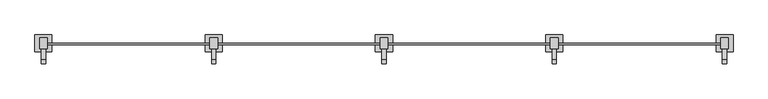
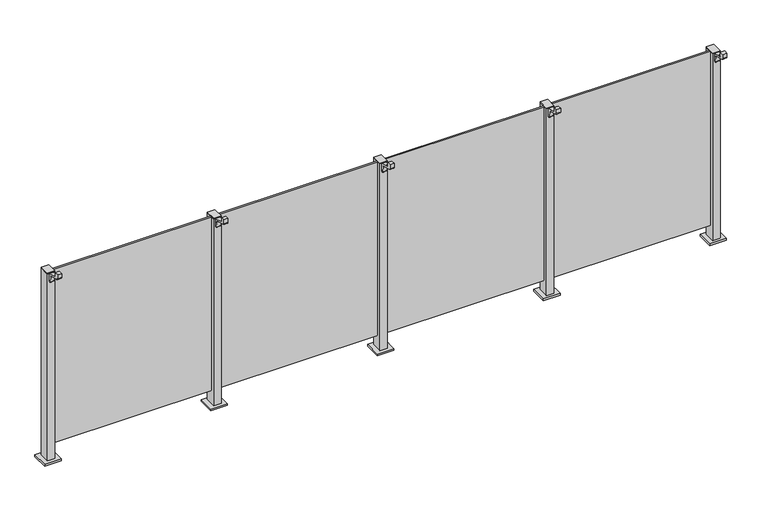
"""IFC4 building model written with IfcOpenShell, lengths in millimetres: railing geometry."""

from ifc_helpers import new_model, si_unit, point, frame, frame_2d, origin, origin_with_axes, place, context, project, spatial, polyline, circle_curve, trimmed, segment, composite_curve, outline, extrude, source, transform, mapped, element, save


def railing_546b8e64(model_context):
    return source(origin(), model_context, "Body", "SweptSolid", [
        extrude(outline(polyline([(69010.0, 2500.9598727), (69990.0, 2500.9598727), (69990.0, 2490.9598727), (69010.0, 2490.9598727), (69010.0, 2500.9598727)])), frame((0.0, 0.0, 95.0), z_axis=(0.0, 0.0, 1.0), x_axis=(1.0, 0.0, 0.0)), (0.0, 0.0, 1.0), 1105.0),
        extrude(outline(polyline([(69022.5, 2467.6846828), (68977.5, 2467.6846828), (68977.5, 2532.6846828), (69022.5, 2532.6846828), (69022.5, 2467.6846828)])), frame((0.0, 0.0, 1200.0), z_axis=(0.0, 0.0, 1.0), x_axis=(1.0, 0.0, 0.0)), (0.0, 0.0, 1.0), 5.0),
        extrude(outline(polyline([(69050.0, 2450.1846828), (68950.0, 2450.1846828), (68950.0, 2550.1846828), (69050.0, 2550.1846828), (69050.0, 2450.1846828)])), origin_with_axes(), (0.0, 0.0, 1.0), 12.0),
        extrude(outline(polyline([(69022.5, 2467.6846828), (68977.5, 2467.6846828), (68977.5, 2532.6846828), (69022.5, 2532.6846828), (69022.5, 2467.6846828)])), frame((0.0, 0.0, 12.0), z_axis=(0.0, 0.0, 1.0), x_axis=(1.0, 0.0, 0.0)), (0.0, 0.0, 1.0), 1188.0),
        extrude(outline(composite_curve([segment(polyline([(2379.6846828, 1245.0), (2403.6846828, 1245.0), (2403.6846828, 1217.1487483), (2467.6846828, 1200.0), (2467.6846828, 1150.0), (2459.0523072, 1150.0)]), True, "CONTINUOUS"), segment(trimmed(circle_curve(frame_2d((2459.0523072, 1153.0)), 3.0), [point((2459.0523072, 1150.0))], [point((2456.0779726, 1152.6084214))], False, "CARTESIAN"), True, "CONTINUOUS"), segment(polyline([(2456.0779726, 1152.6084214), (2451.4711505, 1187.6007097)]), True, "CONTINUOUS"), segment(trimmed(circle_curve(frame_2d((2441.5567019, 1186.2954478)), 10.0), [point((2451.4711505, 1187.6007097))], [point((2444.1448923, 1195.9547061))], True, "CARTESIAN"), True, "CONTINUOUS"), segment(polyline([(2444.1448923, 1195.9547061), (2387.0964924, 1211.2407787)]), True, "CONTINUOUS"), segment(trimmed(circle_curve(frame_2d((2389.6846828, 1220.900037)), 10.0), [point((2387.0964924, 1211.2407787))], [point((2379.6846828, 1220.900037))], False, "CARTESIAN"), True, "CONTINUOUS"), segment(polyline([(2379.6846828, 1220.900037), (2379.6846828, 1245.0)]), True, "CONTINUOUS")], self_intersect=False)), frame((68987.5, 0.0, 0.0), z_axis=(1.0, 0.0, 0.0), x_axis=(0.0, 1.0, 0.0)), (0.0, 0.0, 1.0), 25.0),
        extrude(outline(polyline([(68010.0, 2500.9598727), (68990.0, 2500.9598727), (68990.0, 2490.9598727), (68010.0, 2490.9598727), (68010.0, 2500.9598727)])), frame((0.0, 0.0, 95.0), z_axis=(0.0, 0.0, 1.0), x_axis=(1.0, 0.0, 0.0)), (0.0, 0.0, 1.0), 1105.0),
        extrude(outline(polyline([(68022.5, 2467.6846828), (67977.5, 2467.6846828), (67977.5, 2532.6846828), (68022.5, 2532.6846828), (68022.5, 2467.6846828)])), frame((0.0, 0.0, 1200.0), z_axis=(0.0, 0.0, 1.0), x_axis=(1.0, 0.0, 0.0)), (0.0, 0.0, 1.0), 5.0),
        extrude(outline(polyline([(68050.0, 2450.1846828), (67950.0, 2450.1846828), (67950.0, 2550.1846828), (68050.0, 2550.1846828), (68050.0, 2450.1846828)])), origin_with_axes(), (0.0, 0.0, 1.0), 12.0),
        extrude(outline(polyline([(68022.5, 2467.6846828), (67977.5, 2467.6846828), (67977.5, 2532.6846828), (68022.5, 2532.6846828), (68022.5, 2467.6846828)])), frame((0.0, 0.0, 12.0), z_axis=(0.0, 0.0, 1.0), x_axis=(1.0, 0.0, 0.0)), (0.0, 0.0, 1.0), 1188.0),
        extrude(outline(composite_curve([segment(polyline([(2379.6846828, 1245.0), (2403.6846828, 1245.0), (2403.6846828, 1217.1487483), (2467.6846828, 1200.0), (2467.6846828, 1150.0), (2459.0523072, 1150.0)]), True, "CONTINUOUS"), segment(trimmed(circle_curve(frame_2d((2459.0523072, 1153.0)), 3.0), [point((2459.0523072, 1150.0))], [point((2456.0779726, 1152.6084214))], False, "CARTESIAN"), True, "CONTINUOUS"), segment(polyline([(2456.0779726, 1152.6084214), (2451.4711505, 1187.6007097)]), True, "CONTINUOUS"), segment(trimmed(circle_curve(frame_2d((2441.5567019, 1186.2954478)), 10.0), [point((2451.4711505, 1187.6007097))], [point((2444.1448923, 1195.9547061))], True, "CARTESIAN"), True, "CONTINUOUS"), segment(polyline([(2444.1448923, 1195.9547061), (2387.0964924, 1211.2407787)]), True, "CONTINUOUS"), segment(trimmed(circle_curve(frame_2d((2389.6846828, 1220.900037)), 10.0), [point((2387.0964924, 1211.2407787))], [point((2379.6846828, 1220.900037))], False, "CARTESIAN"), True, "CONTINUOUS"), segment(polyline([(2379.6846828, 1220.900037), (2379.6846828, 1245.0)]), True, "CONTINUOUS")], self_intersect=False)), frame((67987.5, 0.0, 0.0), z_axis=(1.0, 0.0, 0.0), x_axis=(0.0, 1.0, 0.0)), (0.0, 0.0, 1.0), 25.0),
        extrude(outline(polyline([(67010.0, 2500.9598727), (67990.0, 2500.9598727), (67990.0, 2490.9598727), (67010.0, 2490.9598727), (67010.0, 2500.9598727)])), frame((0.0, 0.0, 95.0), z_axis=(0.0, 0.0, 1.0), x_axis=(1.0, 0.0, 0.0)), (0.0, 0.0, 1.0), 1105.0),
        extrude(outline(polyline([(67022.5, 2467.6846828), (66977.5, 2467.6846828), (66977.5, 2532.6846828), (67022.5, 2532.6846828), (67022.5, 2467.6846828)])), frame((0.0, 0.0, 1200.0), z_axis=(0.0, 0.0, 1.0), x_axis=(1.0, 0.0, 0.0)), (0.0, 0.0, 1.0), 5.0),
        extrude(outline(polyline([(67050.0, 2450.1846828), (66950.0, 2450.1846828), (66950.0, 2550.1846828), (67050.0, 2550.1846828), (67050.0, 2450.1846828)])), origin_with_axes(), (0.0, 0.0, 1.0), 12.0),
        extrude(outline(polyline([(67022.5, 2467.6846828), (66977.5, 2467.6846828), (66977.5, 2532.6846828), (67022.5, 2532.6846828), (67022.5, 2467.6846828)])), frame((0.0, 0.0, 12.0), z_axis=(0.0, 0.0, 1.0), x_axis=(1.0, 0.0, 0.0)), (0.0, 0.0, 1.0), 1188.0),
        extrude(outline(composite_curve([segment(polyline([(2379.6846828, 1245.0), (2403.6846828, 1245.0), (2403.6846828, 1217.1487483), (2467.6846828, 1200.0), (2467.6846828, 1150.0), (2459.0523072, 1150.0)]), True, "CONTINUOUS"), segment(trimmed(circle_curve(frame_2d((2459.0523072, 1153.0)), 3.0), [point((2459.0523072, 1150.0))], [point((2456.0779726, 1152.6084214))], False, "CARTESIAN"), True, "CONTINUOUS"), segment(polyline([(2456.0779726, 1152.6084214), (2451.4711505, 1187.6007097)]), True, "CONTINUOUS"), segment(trimmed(circle_curve(frame_2d((2441.5567019, 1186.2954478)), 10.0), [point((2451.4711505, 1187.6007097))], [point((2444.1448923, 1195.9547061))], True, "CARTESIAN"), True, "CONTINUOUS"), segment(polyline([(2444.1448923, 1195.9547061), (2387.0964924, 1211.2407787)]), True, "CONTINUOUS"), segment(trimmed(circle_curve(frame_2d((2389.6846828, 1220.900037)), 10.0), [point((2387.0964924, 1211.2407787))], [point((2379.6846828, 1220.900037))], False, "CARTESIAN"), True, "CONTINUOUS"), segment(polyline([(2379.6846828, 1220.900037), (2379.6846828, 1245.0)]), True, "CONTINUOUS")], self_intersect=False)), frame((66987.5, 0.0, 0.0), z_axis=(1.0, 0.0, 0.0), x_axis=(0.0, 1.0, 0.0)), (0.0, 0.0, 1.0), 25.0),
        extrude(outline(polyline([(66010.0, 2500.9598727), (66990.0, 2500.9598727), (66990.0, 2490.9598727), (66010.0, 2490.9598727), (66010.0, 2500.9598727)])), frame((0.0, 0.0, 95.0), z_axis=(0.0, 0.0, 1.0), x_axis=(1.0, 0.0, 0.0)), (0.0, 0.0, 1.0), 1105.0),
        extrude(outline(polyline([(70022.5, 2467.6846828), (69977.5, 2467.6846828), (69977.5, 2532.6846828), (70022.5, 2532.6846828), (70022.5, 2467.6846828)])), frame((0.0, 0.0, 1200.0), z_axis=(0.0, 0.0, 1.0), x_axis=(1.0, 0.0, 0.0)), (0.0, 0.0, 1.0), 5.0),
        extrude(outline(polyline([(70050.0, 2450.1846828), (69950.0, 2450.1846828), (69950.0, 2550.1846828), (70050.0, 2550.1846828), (70050.0, 2450.1846828)])), origin_with_axes(), (0.0, 0.0, 1.0), 12.0),
        extrude(outline(polyline([(70022.5, 2467.6846828), (69977.5, 2467.6846828), (69977.5, 2532.6846828), (70022.5, 2532.6846828), (70022.5, 2467.6846828)])), frame((0.0, 0.0, 12.0), z_axis=(0.0, 0.0, 1.0), x_axis=(1.0, 0.0, 0.0)), (0.0, 0.0, 1.0), 1188.0),
        extrude(outline(composite_curve([segment(polyline([(2379.6846828, 1245.0), (2403.6846828, 1245.0), (2403.6846828, 1217.1487483), (2467.6846828, 1200.0), (2467.6846828, 1150.0), (2459.0523072, 1150.0)]), True, "CONTINUOUS"), segment(trimmed(circle_curve(frame_2d((2459.0523072, 1153.0)), 3.0), [point((2459.0523072, 1150.0))], [point((2456.0779726, 1152.6084214))], False, "CARTESIAN"), True, "CONTINUOUS"), segment(polyline([(2456.0779726, 1152.6084214), (2451.4711505, 1187.6007097)]), True, "CONTINUOUS"), segment(trimmed(circle_curve(frame_2d((2441.5567019, 1186.2954478)), 10.0), [point((2451.4711505, 1187.6007097))], [point((2444.1448923, 1195.9547061))], True, "CARTESIAN"), True, "CONTINUOUS"), segment(polyline([(2444.1448923, 1195.9547061), (2387.0964924, 1211.2407787)]), True, "CONTINUOUS"), segment(trimmed(circle_curve(frame_2d((2389.6846828, 1220.900037)), 10.0), [point((2387.0964924, 1211.2407787))], [point((2379.6846828, 1220.900037))], False, "CARTESIAN"), True, "CONTINUOUS"), segment(polyline([(2379.6846828, 1220.900037), (2379.6846828, 1245.0)]), True, "CONTINUOUS")], self_intersect=False)), frame((69987.5, 0.0, 0.0), z_axis=(1.0, 0.0, 0.0), x_axis=(0.0, 1.0, 0.0)), (0.0, 0.0, 1.0), 25.0),
        extrude(outline(polyline([(66022.5, 2467.6846828), (65977.5, 2467.6846828), (65977.5, 2532.6846828), (66022.5, 2532.6846828), (66022.5, 2467.6846828)])), frame((0.0, 0.0, 1200.0), z_axis=(0.0, 0.0, 1.0), x_axis=(1.0, 0.0, 0.0)), (0.0, 0.0, 1.0), 5.0),
        extrude(outline(polyline([(66050.0, 2450.1846828), (65950.0, 2450.1846828), (65950.0, 2550.1846828), (66050.0, 2550.1846828), (66050.0, 2450.1846828)])), origin_with_axes(), (0.0, 0.0, 1.0), 12.0),
        extrude(outline(polyline([(66022.5, 2467.6846828), (65977.5, 2467.6846828), (65977.5, 2532.6846828), (66022.5, 2532.6846828), (66022.5, 2467.6846828)])), frame((0.0, 0.0, 12.0), z_axis=(0.0, 0.0, 1.0), x_axis=(1.0, 0.0, 0.0)), (0.0, 0.0, 1.0), 1188.0),
        extrude(outline(composite_curve([segment(polyline([(2379.6846828, 1245.0), (2403.6846828, 1245.0), (2403.6846828, 1217.1487483), (2467.6846828, 1200.0), (2467.6846828, 1150.0), (2459.0523072, 1150.0)]), True, "CONTINUOUS"), segment(trimmed(circle_curve(frame_2d((2459.0523072, 1153.0)), 3.0), [point((2459.0523072, 1150.0))], [point((2456.0779726, 1152.6084214))], False, "CARTESIAN"), True, "CONTINUOUS"), segment(polyline([(2456.0779726, 1152.6084214), (2451.4711505, 1187.6007097)]), True, "CONTINUOUS"), segment(trimmed(circle_curve(frame_2d((2441.5567019, 1186.2954478)), 10.0), [point((2451.4711505, 1187.6007097))], [point((2444.1448923, 1195.9547061))], True, "CARTESIAN"), True, "CONTINUOUS"), segment(polyline([(2444.1448923, 1195.9547061), (2387.0964924, 1211.2407787)]), True, "CONTINUOUS"), segment(trimmed(circle_curve(frame_2d((2389.6846828, 1220.900037)), 10.0), [point((2387.0964924, 1211.2407787))], [point((2379.6846828, 1220.900037))], False, "CARTESIAN"), True, "CONTINUOUS"), segment(polyline([(2379.6846828, 1220.900037), (2379.6846828, 1245.0)]), True, "CONTINUOUS")], self_intersect=False)), frame((65987.5, 0.0, 0.0), z_axis=(1.0, 0.0, 0.0), x_axis=(0.0, 1.0, 0.0)), (0.0, 0.0, 1.0), 25.0),
    ])


if __name__ == "__main__":
    model = new_model("IFC4")
    model_context = context("Model", 3, world=origin())
    ifc_project = project(units=[si_unit("LENGTHUNIT", "METRE", prefix="MILLI")], contexts=[model_context])
    site = spatial("IfcSite", under=ifc_project)
    building = spatial("IfcBuilding", under=site)
    placement = place(None, origin())
    railing_shape = railing_546b8e64(model_context)
    element("IfcRailing", 1, at=placement, inside=building, context=model_context, shape_type="MappedRepresentation", body=[
        mapped(railing_shape, transform((0.0, 0.0, 0.0), x_axis=(1.0, 0.0, 0.0), y_axis=(0.0, 1.0, 0.0), z_axis=(0.0, 0.0, 1.0))),
    ])
    save(model, "model.ifc")
